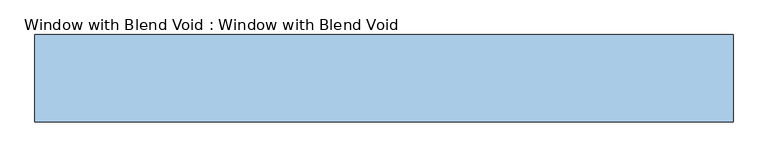
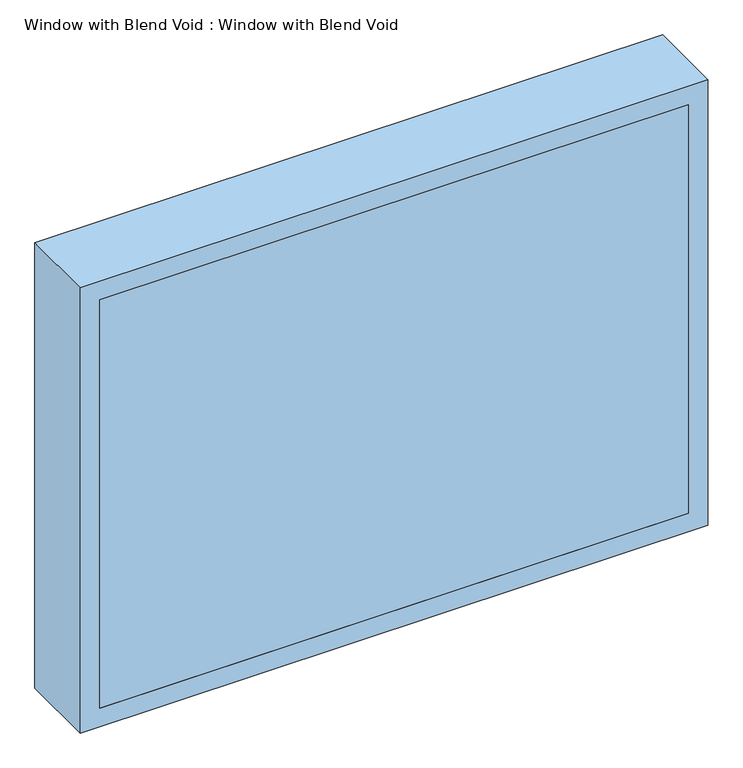
"""IFC4 building model written with IfcOpenShell, lengths in millimetres: window geometry, Window with Blend Void : Window with Blend Void."""

from ifc_helpers import new_model, si_unit, frame, origin, place, context, project, spatial, polyline, outline, extrude, source, transform, mapped, element, save


def window_with_blend_void_window_with_blend_void_ac4ac871(model_context):
    return source(origin(), model_context, "Body", "SweptSolid", [
        extrude(outline(polyline([(571.5, -152.4), (-571.5, -152.4), (-571.5, 0.0), (571.5, 0.0), (571.5, -152.4)])), frame((0.0, 0.0, 1257.3), z_axis=(0.0, 0.0, 1.0), x_axis=(1.0, 0.0, 0.0)), (0.0, 0.0, 1.0), 838.2),
        extrude(outline(polyline([(2133.6, -609.6), (1219.2, -609.6), (1219.2, 609.6), (2133.6, 609.6), (2133.6, -609.6)]), holes=[polyline([(1257.3, -571.5), (2095.5, -571.5), (2095.5, 571.5), (1257.3, 571.5), (1257.3, -571.5)])]), frame((0.0, -152.4, 0.0), z_axis=(0.0, 1.0, 0.0), x_axis=(0.0, 0.0, 1.0)), (0.0, 0.0, 1.0), 152.4),
    ])


if __name__ == "__main__":
    model = new_model("IFC4")
    model_context = context("Model", 3, world=origin())
    ifc_project = project(units=[si_unit("LENGTHUNIT", "METRE", prefix="MILLI")], contexts=[model_context])
    site = spatial("IfcSite", under=ifc_project)
    building = spatial("IfcBuilding", under=site)
    placement = place(None, origin())
    window_with_blend_void_window_with_blend_void_shape = window_with_blend_void_window_with_blend_void_ac4ac871(model_context)
    element("IfcWindow", 1, ObjectType="Window with Blend Void : Window with Blend Void", at=placement, inside=building, context=model_context, shape_type="MappedRepresentation", body=[
        mapped(window_with_blend_void_window_with_blend_void_shape, transform((0.0, 0.0, 0.0), x_axis=(1.0, 0.0, 0.0), y_axis=(0.0, 1.0, 0.0), z_axis=(0.0, 0.0, 1.0))),
    ])
    save(model, "model.ifc")
